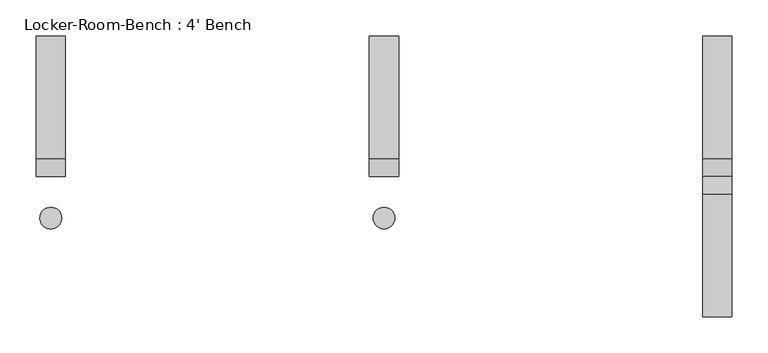
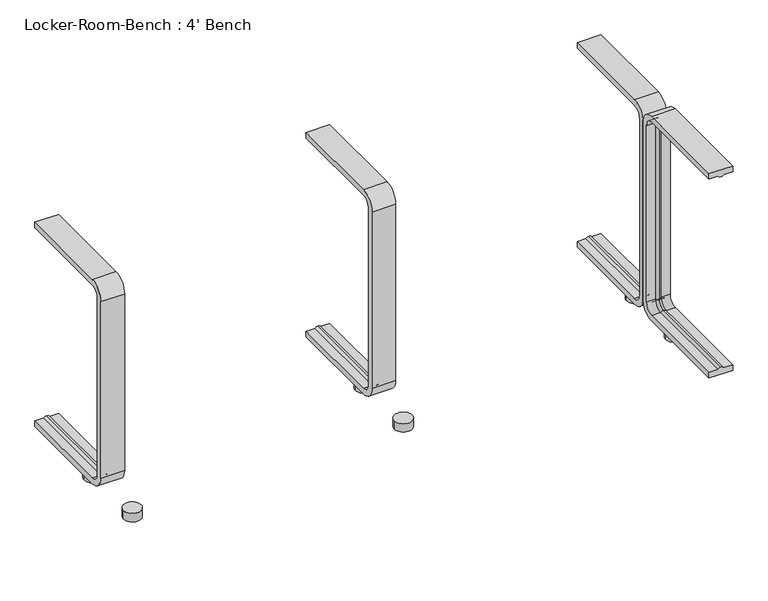
"""IFC4 building model written with IfcOpenShell, lengths in millimetres: furniture geometry, Locker-Room-Bench : 4' Bench."""

from ifc_helpers import new_model, si_unit, point, frame, frame_2d, origin, origin_with_axes, place, context, project, spatial, polyline, circle_curve, ellipse_curve, trimmed, segment, composite_curve, outline, extrude, source, transform, mapped, element, save
from ifc_brep_helpers import plane_surface, cylinder_surface, revolved_surface, advanced_brep


def locker_room_bench_4_bench_b6e1d608(model_context):
    return source(origin(), model_context, "Body", "SolidModel", [
        extrude(outline(composite_curve([segment(trimmed(circle_curve(frame_2d((459.6, -57.5)), 15.0), [point((444.6, -57.5))], [point((474.6, -57.5))], False, "CARTESIAN"), True, "CONTINUOUS"), segment(trimmed(circle_curve(frame_2d((459.6, -57.5)), 15.0), [point((474.6, -57.5))], [point((444.6, -57.5))], False, "CARTESIAN"), True, "CONTINUOUS")], self_intersect=False)), origin_with_axes(), (0.0, 0.0, 1.0), 15.0),
        extrude(outline(composite_curve([segment(trimmed(circle_curve(frame_2d((459.6, 57.5)), 15.0), [point((444.6, 57.5))], [point((474.6, 57.5))], False, "CARTESIAN"), True, "CONTINUOUS"), segment(trimmed(circle_curve(frame_2d((459.6, 57.5)), 15.0), [point((474.6, 57.5))], [point((444.6, 57.5))], False, "CARTESIAN"), True, "CONTINUOUS")], self_intersect=False)), origin_with_axes(), (0.0, 0.0, 1.0), 15.0),
        extrude(outline(composite_curve([segment(trimmed(circle_curve(frame_2d((0.0, -57.5)), 15.0), [point((-15.0, -57.5))], [point((15.0, -57.5))], False, "CARTESIAN"), True, "CONTINUOUS"), segment(trimmed(circle_curve(frame_2d((0.0, -57.5)), 15.0), [point((15.0, -57.5))], [point((-15.0, -57.5))], False, "CARTESIAN"), True, "CONTINUOUS")], self_intersect=False)), origin_with_axes(), (0.0, 0.0, 1.0), 15.0),
        extrude(outline(composite_curve([segment(trimmed(circle_curve(frame_2d((0.0, 57.5)), 15.0), [point((-15.0, 57.5))], [point((15.0, 57.5))], False, "CARTESIAN"), True, "CONTINUOUS"), segment(trimmed(circle_curve(frame_2d((0.0, 57.5)), 15.0), [point((15.0, 57.5))], [point((-15.0, 57.5))], False, "CARTESIAN"), True, "CONTINUOUS")], self_intersect=False)), origin_with_axes(), (0.0, 0.0, 1.0), 15.0),
        extrude(outline(composite_curve([segment(trimmed(circle_curve(frame_2d((-459.6, -57.5)), 15.0), [point((-474.6, -57.5))], [point((-444.6, -57.5))], False, "CARTESIAN"), True, "CONTINUOUS"), segment(trimmed(circle_curve(frame_2d((-459.6, -57.5)), 15.0), [point((-444.6, -57.5))], [point((-474.6, -57.5))], False, "CARTESIAN"), True, "CONTINUOUS")], self_intersect=False)), origin_with_axes(), (0.0, 0.0, 1.0), 15.0),
        extrude(outline(composite_curve([segment(trimmed(circle_curve(frame_2d((-459.6, 57.5)), 15.0), [point((-474.6, 57.5))], [point((-444.6, 57.5))], False, "CARTESIAN"), True, "CONTINUOUS"), segment(trimmed(circle_curve(frame_2d((-459.6, 57.5)), 15.0), [point((-444.6, 57.5))], [point((-474.6, 57.5))], False, "CARTESIAN"), True, "CONTINUOUS")], self_intersect=False)), origin_with_axes(), (0.0, 0.0, 1.0), 15.0),
        advanced_brep(
        [(479.6, 193.6, 381.4), (479.6, 193.6, 371.4), (464.6, 193.6, 371.4), (459.6, 193.6, 369.0684617), (454.6, 193.6, 371.4), (439.6, 193.6, 371.4), (439.6, 193.6, 381.4), (479.6, 25.0, 381.4), (479.6, 0.0, 356.4), (479.6, 0.0, 40.0), (479.6, 25.0, 15.0), (479.6, 193.6, 15.0), (479.6, 193.6, 25.0), (479.6, 25.0, 25.0), (479.6, 10.0, 40.0), (479.6, 10.0, 356.4), (479.6, 25.0, 371.4), (464.6, 25.0, 371.4), (459.6, 25.0, 369.0684617), (454.6, 25.0, 371.4), (439.6, 25.0, 371.4), (439.6, 10.0, 356.4), (439.6, 10.0, 40.0), (439.6, 25.0, 25.0), (439.6, 193.6, 25.0), (439.6, 193.6, 15.0), (439.6, 25.0, 15.0), (439.6, 0.0, 40.0), (439.6, 0.0, 356.4), (439.6, 25.0, 381.4), (464.6, 10.0, 356.4), (459.6, 12.3315383, 356.4), (454.6, 10.0, 356.4), (464.6, 10.0, 40.0), (459.6, 12.3315383, 40.0), (454.6, 10.0, 40.0), (464.6, 25.0, 25.0), (459.6, 25.0, 27.3315383), (454.6, 25.0, 25.0), (454.6, 193.6, 25.0), (459.6, 193.6, 27.3315383), (464.6, 193.6, 25.0)],
        [
            (0, 1),
            (1, 2),
            (2, 3, circle_curve(frame((459.8996409, 193.6, 374.9529162), z_axis=(0.0, 1.0, 0.0), x_axis=(0.0, 0.0, -1.0)), 5.8920785)),
            (3, 4, circle_curve(frame((459.3003591, 193.6, 374.9529162), z_axis=(0.0, 1.0, 0.0), x_axis=(0.0, 0.0, -1.0)), 5.8920785)),
            (4, 5),
            (5, 6),
            (6, 0),
            (0, 7),
            (7, 8, circle_curve(frame((479.6, 25.0, 356.4), z_axis=(1.0, 0.0, 0.0), x_axis=(0.0, 0.0, 1.0)), 25.0)),
            (8, 9),
            (9, 10, circle_curve(frame((479.6, 25.0, 40.0), z_axis=(1.0, 0.0, 0.0), x_axis=(0.0, -1.0, 0.0)), 25.0)),
            (10, 11),
            (11, 12),
            (12, 13),
            (13, 14, circle_curve(frame((479.6, 25.0, 40.0), z_axis=(-1.0, 0.0, 0.0), x_axis=(0.0, -1.0, 0.0)), 15.0)),
            (14, 15),
            (15, 16, circle_curve(frame((479.6, 25.0, 356.4), z_axis=(-1.0, 0.0, 0.0), x_axis=(0.0, 0.0, 1.0)), 15.0)),
            (16, 1),
            (16, 17),
            (17, 2),
            (17, 18, circle_curve(frame((459.8996409, 25.0, 374.9529162), z_axis=(0.0, 1.0, 0.0), x_axis=(0.0, 0.0, -1.0)), 5.8920785)),
            (18, 3),
            (18, 19, circle_curve(frame((459.3003591, 25.0, 374.9529162), z_axis=(0.0, 1.0, 0.0), x_axis=(0.0, 0.0, -1.0)), 5.8920785)),
            (19, 4),
            (19, 20),
            (20, 5),
            (20, 21, circle_curve(frame((439.6, 25.0, 356.4), z_axis=(1.0, 0.0, 0.0), x_axis=(0.0, 0.0, 1.0)), 15.0)),
            (21, 22),
            (22, 23, circle_curve(frame((439.6, 25.0, 40.0), z_axis=(1.0, 0.0, 0.0), x_axis=(0.0, -1.0, 0.0)), 15.0)),
            (23, 24),
            (24, 25),
            (25, 26),
            (26, 27, circle_curve(frame((439.6, 25.0, 40.0), z_axis=(-1.0, 0.0, 0.0), x_axis=(0.0, -1.0, 0.0)), 25.0)),
            (27, 28),
            (28, 29, circle_curve(frame((439.6, 25.0, 356.4), z_axis=(-1.0, 0.0, 0.0), x_axis=(0.0, 0.0, 1.0)), 25.0)),
            (29, 6),
            (29, 7),
            (30, 17, circle_curve(frame((464.6, 25.0, 356.4), z_axis=(-1.0, 0.0, 0.0), x_axis=(0.0, 0.0, 1.0)), 15.0)),
            (15, 30),
            (31, 18, circle_curve(frame((459.6, 25.0, 356.4), z_axis=(-1.0, 0.0, 0.0), x_axis=(0.0, 0.0, 1.0)), 12.6684617)),
            (30, 31, circle_curve(frame((459.8996409, 6.4470838, 356.4), z_axis=(0.0, 0.0, 1.0), x_axis=(0.0, 1.0, 0.0)), 5.8920785)),
            (32, 19, circle_curve(frame((454.6, 25.0, 356.4), z_axis=(-1.0, 0.0, 0.0), x_axis=(0.0, 0.0, 1.0)), 15.0)),
            (31, 32, circle_curve(frame((459.3003591, 6.4470838, 356.4), z_axis=(0.0, 0.0, 1.0), x_axis=(0.0, 1.0, 0.0)), 5.8920785)),
            (32, 21),
            (28, 8),
            (14, 33),
            (33, 30),
            (33, 34, circle_curve(frame((459.8996409, 6.4470838, 40.0), z_axis=(0.0, 0.0, 1.0), x_axis=(0.0, 1.0, 0.0)), 5.8920785)),
            (34, 31),
            (34, 35, circle_curve(frame((459.3003591, 6.4470838, 40.0), z_axis=(0.0, 0.0, 1.0), x_axis=(0.0, 1.0, 0.0)), 5.8920785)),
            (35, 32),
            (35, 22),
            (27, 9),
            (36, 33, circle_curve(frame((464.6, 25.0, 40.0), z_axis=(-1.0, 0.0, 0.0), x_axis=(0.0, -1.0, 0.0)), 15.0)),
            (13, 36),
            (37, 34, circle_curve(frame((459.6, 25.0, 40.0), z_axis=(-1.0, 0.0, 0.0), x_axis=(0.0, -1.0, 0.0)), 12.6684617)),
            (36, 37, circle_curve(frame((459.8996409, 25.0, 21.4470838), z_axis=(0.0, -1.0, 0.0), x_axis=(0.0, 0.0, 1.0)), 5.8920785)),
            (38, 35, circle_curve(frame((454.6, 25.0, 40.0), z_axis=(-1.0, 0.0, 0.0), x_axis=(0.0, -1.0, 0.0)), 15.0)),
            (37, 38, circle_curve(frame((459.3003591, 25.0, 21.4470838), z_axis=(0.0, -1.0, 0.0), x_axis=(0.0, 0.0, 1.0)), 5.8920785)),
            (38, 23),
            (26, 10),
            (11, 25),
            (24, 39),
            (39, 40, circle_curve(frame((459.3003591, 193.6, 21.4470838), z_axis=(0.0, 1.0, 0.0), x_axis=(0.0, 0.0, 1.0)), 5.8920785)),
            (40, 41, circle_curve(frame((459.8996409, 193.6, 21.4470838), z_axis=(0.0, 1.0, 0.0), x_axis=(0.0, 0.0, 1.0)), 5.8920785)),
            (41, 12),
            (41, 36),
            (40, 37),
            (39, 38),
        ],
        [
            plane_surface(frame((459.6, 193.6, 381.4), z_axis=(0.0, 1.0, 0.0), x_axis=(1.0, 0.0, 0.0))),
            plane_surface(frame((479.6, 193.6, 381.4), z_axis=(1.0, 0.0, 0.0), x_axis=(0.0, -1.0, 0.0))),
            plane_surface(frame((479.6, 193.6, 371.4), z_axis=(0.0, 0.0, -1.0), x_axis=(0.0, -1.0, 0.0))),
            cylinder_surface(frame((459.8996409, 193.6, 374.9529162), z_axis=(0.0, 1.0, 0.0), x_axis=(0.0, 0.0, -1.0)), 5.8920785),
            cylinder_surface(frame((459.3003591, 193.6, 374.9529162), z_axis=(0.0, 1.0, 0.0), x_axis=(0.0, 0.0, -1.0)), 5.8920785),
            plane_surface(frame((454.6, 193.6, 371.4), z_axis=(0.0, 0.0, -1.0), x_axis=(0.0, -1.0, 0.0))),
            plane_surface(frame((439.6, 193.6, 371.4), z_axis=(-1.0, 0.0, 0.0), x_axis=(0.0, -1.0, 0.0))),
            plane_surface(frame((439.6, 193.6, 381.4), z_axis=(0.0, 0.0, 1.0), x_axis=(0.0, -1.0, 0.0))),
            revolved_surface(polyline([(479.6, 25.0, 371.4), (464.6, 25.0, 371.4)]), (459.6, 25.0, 356.4), (1.0, 0.0, 0.0)),
            revolved_surface(trimmed(ellipse_curve(frame((459.8996409, 25.0, 374.9529162), z_axis=(0.0, 1.0, 0.0), x_axis=(0.0, 0.0, -1.0)), 5.8920785, 5.8920785), [point((464.6, 25.0, 371.4))], [point((459.6, 25.0, 369.0684617))], True, "CARTESIAN"), (459.6, 25.0, 356.4), (1.0, 0.0, 0.0)),
            revolved_surface(trimmed(ellipse_curve(frame((459.3003591, 25.0, 374.9529162), z_axis=(0.0, 1.0, 0.0), x_axis=(0.0, 0.0, -1.0)), 5.8920785, 5.8920785), [point((459.6, 25.0, 369.0684617))], [point((454.6, 25.0, 371.4))], True, "CARTESIAN"), (459.6, 25.0, 356.4), (1.0, 0.0, 0.0)),
            revolved_surface(polyline([(454.6, 25.0, 371.4), (439.6, 25.0, 371.4)]), (459.6, 25.0, 356.4), (1.0, 0.0, 0.0)),
            cylinder_surface(frame((459.6, 25.0, 356.4), z_axis=(1.0, 0.0, 0.0), x_axis=(0.0, 0.0, 1.0)), 25.0),
            plane_surface(frame((479.6, 10.0, 356.4), z_axis=(0.0, 1.0, 0.0), x_axis=(0.0, 0.0, -1.0))),
            cylinder_surface(frame((459.8996409, 6.4470838, 356.4), z_axis=(0.0, 0.0, 1.0), x_axis=(0.0, 1.0, 0.0)), 5.8920785),
            cylinder_surface(frame((459.3003591, 6.4470838, 356.4), z_axis=(0.0, 0.0, 1.0), x_axis=(0.0, 1.0, 0.0)), 5.8920785),
            plane_surface(frame((454.6, 10.0, 356.4), z_axis=(0.0, 1.0, 0.0), x_axis=(0.0, 0.0, -1.0))),
            plane_surface(frame((439.6, 0.0, 356.4), z_axis=(0.0, -1.0, 0.0), x_axis=(0.0, 0.0, -1.0))),
            revolved_surface(polyline([(479.6, 10.0, 40.0), (464.6, 10.0, 40.0)]), (459.6, 25.0, 40.0), (1.0, 0.0, 0.0)),
            revolved_surface(trimmed(ellipse_curve(frame((459.8996409, 6.4470838, 40.0), z_axis=(0.0, 0.0, 1.0), x_axis=(0.0, 1.0, 0.0)), 5.8920785, 5.8920785), [point((464.6, 10.0, 40.0))], [point((459.6, 12.3315383, 40.0))], True, "CARTESIAN"), (459.6, 25.0, 40.0), (1.0, 0.0, 0.0)),
            revolved_surface(trimmed(ellipse_curve(frame((459.3003591, 6.4470838, 40.0), z_axis=(0.0, 0.0, 1.0), x_axis=(0.0, 1.0, 0.0)), 5.8920785, 5.8920785), [point((459.6, 12.3315383, 40.0))], [point((454.6, 10.0, 40.0))], True, "CARTESIAN"), (459.6, 25.0, 40.0), (1.0, 0.0, 0.0)),
            revolved_surface(polyline([(454.6, 10.0, 40.0), (439.6, 10.0, 40.0)]), (459.6, 25.0, 40.0), (1.0, 0.0, 0.0)),
            cylinder_surface(frame((459.6, 25.0, 40.0), z_axis=(1.0, 0.0, 0.0), x_axis=(0.0, -1.0, 0.0)), 25.0),
            plane_surface(frame((459.6, 193.6, 15.0), z_axis=(0.0, 1.0, 0.0), x_axis=(1.0, 0.0, 0.0))),
            plane_surface(frame((479.6, 25.0, 25.0), z_axis=(0.0, 0.0, 1.0), x_axis=(0.0, 1.0, 0.0))),
            cylinder_surface(frame((459.8996409, 25.0, 21.4470838), z_axis=(0.0, -1.0, 0.0), x_axis=(0.0, 0.0, 1.0)), 5.8920785),
            cylinder_surface(frame((459.3003591, 25.0, 21.4470838), z_axis=(0.0, -1.0, 0.0), x_axis=(0.0, 0.0, 1.0)), 5.8920785),
            plane_surface(frame((454.6, 25.0, 25.0), z_axis=(0.0, 0.0, 1.0), x_axis=(0.0, 1.0, 0.0))),
            plane_surface(frame((439.6, 25.0, 15.0), z_axis=(0.0, 0.0, -1.0), x_axis=(0.0, 1.0, 0.0))),
        ],
        [
            (0, [[1, 2, 3, 4, 5, 6, 7]]),
            (1, [[-1, 8, 9, 10, 11, 12, 13, 14, 15, 16, 17, 18]]),
            (2, [[-2, -18, 19, 20]]),
            (3, [[-3, -20, 21, 22]]),
            (4, [[-4, -22, 23, 24]]),
            (5, [[-5, -24, 25, 26]]),
            (6, [[-6, -26, 27, 28, 29, 30, 31, 32, 33, 34, 35, 36]]),
            (7, [[-7, -36, 37, -8]]),
            (8, [[38, -19, -17, 39]]),
            (9, [[40, -21, -38, 41]]),
            (10, [[42, -23, -40, 43]]),
            (11, [[-27, -25, -42, 44]]),
            (12, [[-9, -37, -35, 45]]),
            (13, [[-39, -16, 46, 47]]),
            (14, [[-41, -47, 48, 49]]),
            (15, [[-43, -49, 50, 51]]),
            (16, [[-44, -51, 52, -28]]),
            (17, [[-45, -34, 53, -10]]),
            (18, [[54, -46, -15, 55]]),
            (19, [[56, -48, -54, 57]]),
            (20, [[58, -50, -56, 59]]),
            (21, [[-29, -52, -58, 60]]),
            (22, [[-11, -53, -33, 61]]),
            (23, [[62, -31, 63, 64, 65, 66, -13]]),
            (24, [[-55, -14, -66, 67]]),
            (25, [[-57, -67, -65, 68]]),
            (26, [[-59, -68, -64, 69]]),
            (27, [[-60, -69, -63, -30]]),
            (28, [[-61, -32, -62, -12]]),
        ],
    ),
        advanced_brep(
        [(20.0, 193.6, 381.4), (20.0, 193.6, 371.4), (5.0, 193.6, 371.4), (0.0, 193.6, 369.0684617), (-5.0, 193.6, 371.4), (-20.0, 193.6, 371.4), (-20.0, 193.6, 381.4), (20.0, 25.0, 381.4), (20.0, 0.0, 356.4), (20.0, 0.0, 40.0), (20.0, 25.0, 15.0), (20.0, 193.6, 15.0), (20.0, 193.6, 25.0), (20.0, 25.0, 25.0), (20.0, 10.0, 40.0), (20.0, 10.0, 356.4), (20.0, 25.0, 371.4), (5.0, 25.0, 371.4), (0.0, 25.0, 369.0684617), (-5.0, 25.0, 371.4), (-20.0, 25.0, 371.4), (-20.0, 10.0, 356.4), (-20.0, 10.0, 40.0), (-20.0, 25.0, 25.0), (-20.0, 193.6, 25.0), (-20.0, 193.6, 15.0), (-20.0, 25.0, 15.0), (-20.0, 0.0, 40.0), (-20.0, 0.0, 356.4), (-20.0, 25.0, 381.4), (5.0, 10.0, 356.4), (0.0, 12.3315383, 356.4), (-5.0, 10.0, 356.4), (5.0, 10.0, 40.0), (0.0, 12.3315383, 40.0), (-5.0, 10.0, 40.0), (5.0, 25.0, 25.0), (0.0, 25.0, 27.3315383), (-5.0, 25.0, 25.0), (-5.0, 193.6, 25.0), (0.0, 193.6, 27.3315383), (5.0, 193.6, 25.0)],
        [
            (0, 1),
            (1, 2),
            (2, 3, circle_curve(frame((0.2996409, 193.6, 374.9529162), z_axis=(0.0, 1.0, 0.0), x_axis=(0.0, 0.0, -1.0)), 5.8920785)),
            (3, 4, circle_curve(frame((-0.2996409, 193.6, 374.9529162), z_axis=(0.0, 1.0, 0.0), x_axis=(0.0, 0.0, -1.0)), 5.8920785)),
            (4, 5),
            (5, 6),
            (6, 0),
            (0, 7),
            (7, 8, circle_curve(frame((20.0, 25.0, 356.4), z_axis=(1.0, 0.0, 0.0), x_axis=(0.0, 0.0, 1.0)), 25.0)),
            (8, 9),
            (9, 10, circle_curve(frame((20.0, 25.0, 40.0), z_axis=(1.0, 0.0, 0.0), x_axis=(0.0, -1.0, 0.0)), 25.0)),
            (10, 11),
            (11, 12),
            (12, 13),
            (13, 14, circle_curve(frame((20.0, 25.0, 40.0), z_axis=(-1.0, 0.0, 0.0), x_axis=(0.0, -1.0, 0.0)), 15.0)),
            (14, 15),
            (15, 16, circle_curve(frame((20.0, 25.0, 356.4), z_axis=(-1.0, 0.0, 0.0), x_axis=(0.0, 0.0, 1.0)), 15.0)),
            (16, 1),
            (16, 17),
            (17, 2),
            (17, 18, circle_curve(frame((0.2996409, 25.0, 374.9529162), z_axis=(0.0, 1.0, 0.0), x_axis=(0.0, 0.0, -1.0)), 5.8920785)),
            (18, 3),
            (18, 19, circle_curve(frame((-0.2996409, 25.0, 374.9529162), z_axis=(0.0, 1.0, 0.0), x_axis=(0.0, 0.0, -1.0)), 5.8920785)),
            (19, 4),
            (19, 20),
            (20, 5),
            (20, 21, circle_curve(frame((-20.0, 25.0, 356.4), z_axis=(1.0, 0.0, 0.0), x_axis=(0.0, 0.0, 1.0)), 15.0)),
            (21, 22),
            (22, 23, circle_curve(frame((-20.0, 25.0, 40.0), z_axis=(1.0, 0.0, 0.0), x_axis=(0.0, -1.0, 0.0)), 15.0)),
            (23, 24),
            (24, 25),
            (25, 26),
            (26, 27, circle_curve(frame((-20.0, 25.0, 40.0), z_axis=(-1.0, 0.0, 0.0), x_axis=(0.0, -1.0, 0.0)), 25.0)),
            (27, 28),
            (28, 29, circle_curve(frame((-20.0, 25.0, 356.4), z_axis=(-1.0, 0.0, 0.0), x_axis=(0.0, 0.0, 1.0)), 25.0)),
            (29, 6),
            (29, 7),
            (30, 17, circle_curve(frame((5.0, 25.0, 356.4), z_axis=(-1.0, 0.0, 0.0), x_axis=(0.0, 0.0, 1.0)), 15.0)),
            (15, 30),
            (31, 18, circle_curve(frame((0.0, 25.0, 356.4), z_axis=(-1.0, 0.0, 0.0), x_axis=(0.0, 0.0, 1.0)), 12.6684617)),
            (30, 31, circle_curve(frame((0.2996409, 6.4470838, 356.4), z_axis=(0.0, 0.0, 1.0), x_axis=(0.0, 1.0, 0.0)), 5.8920785)),
            (32, 19, circle_curve(frame((-5.0, 25.0, 356.4), z_axis=(-1.0, 0.0, 0.0), x_axis=(0.0, 0.0, 1.0)), 15.0)),
            (31, 32, circle_curve(frame((-0.2996409, 6.4470838, 356.4), z_axis=(0.0, 0.0, 1.0), x_axis=(0.0, 1.0, 0.0)), 5.8920785)),
            (32, 21),
            (28, 8),
            (14, 33),
            (33, 30),
            (33, 34, circle_curve(frame((0.2996409, 6.4470838, 40.0), z_axis=(0.0, 0.0, 1.0), x_axis=(0.0, 1.0, 0.0)), 5.8920785)),
            (34, 31),
            (34, 35, circle_curve(frame((-0.2996409, 6.4470838, 40.0), z_axis=(0.0, 0.0, 1.0), x_axis=(0.0, 1.0, 0.0)), 5.8920785)),
            (35, 32),
            (35, 22),
            (27, 9),
            (36, 33, circle_curve(frame((5.0, 25.0, 40.0), z_axis=(-1.0, 0.0, 0.0), x_axis=(0.0, -1.0, 0.0)), 15.0)),
            (13, 36),
            (37, 34, circle_curve(frame((0.0, 25.0, 40.0), z_axis=(-1.0, 0.0, 0.0), x_axis=(0.0, -1.0, 0.0)), 12.6684617)),
            (36, 37, circle_curve(frame((0.2996409, 25.0, 21.4470838), z_axis=(0.0, -1.0, 0.0), x_axis=(0.0, 0.0, 1.0)), 5.8920785)),
            (38, 35, circle_curve(frame((-5.0, 25.0, 40.0), z_axis=(-1.0, 0.0, 0.0), x_axis=(0.0, -1.0, 0.0)), 15.0)),
            (37, 38, circle_curve(frame((-0.2996409, 25.0, 21.4470838), z_axis=(0.0, -1.0, 0.0), x_axis=(0.0, 0.0, 1.0)), 5.8920785)),
            (38, 23),
            (26, 10),
            (11, 25),
            (24, 39),
            (39, 40, circle_curve(frame((-0.2996409, 193.6, 21.4470838), z_axis=(0.0, 1.0, 0.0), x_axis=(0.0, 0.0, 1.0)), 5.8920785)),
            (40, 41, circle_curve(frame((0.2996409, 193.6, 21.4470838), z_axis=(0.0, 1.0, 0.0), x_axis=(0.0, 0.0, 1.0)), 5.8920785)),
            (41, 12),
            (41, 36),
            (40, 37),
            (39, 38),
        ],
        [
            plane_surface(frame((0.0, 193.6, 381.4), z_axis=(0.0, 1.0, 0.0), x_axis=(1.0, 0.0, 0.0))),
            plane_surface(frame((20.0, 193.6, 381.4), z_axis=(1.0, 0.0, 0.0), x_axis=(0.0, -1.0, 0.0))),
            plane_surface(frame((20.0, 193.6, 371.4), z_axis=(0.0, 0.0, -1.0), x_axis=(0.0, -1.0, 0.0))),
            cylinder_surface(frame((0.2996409, 193.6, 374.9529162), z_axis=(0.0, 1.0, 0.0), x_axis=(0.0, 0.0, -1.0)), 5.8920785),
            cylinder_surface(frame((-0.2996409, 193.6, 374.9529162), z_axis=(0.0, 1.0, 0.0), x_axis=(0.0, 0.0, -1.0)), 5.8920785),
            plane_surface(frame((-5.0, 193.6, 371.4), z_axis=(0.0, 0.0, -1.0), x_axis=(0.0, -1.0, 0.0))),
            plane_surface(frame((-20.0, 193.6, 371.4), z_axis=(-1.0, 0.0, 0.0), x_axis=(0.0, -1.0, 0.0))),
            plane_surface(frame((-20.0, 193.6, 381.4), z_axis=(0.0, 0.0, 1.0), x_axis=(0.0, -1.0, 0.0))),
            revolved_surface(polyline([(20.0, 25.0, 371.4), (5.0, 25.0, 371.4)]), (0.0, 25.0, 356.4), (1.0, 0.0, 0.0)),
            revolved_surface(trimmed(ellipse_curve(frame((0.2996409, 25.0, 374.9529162), z_axis=(0.0, 1.0, 0.0), x_axis=(0.0, 0.0, -1.0)), 5.8920785, 5.8920785), [point((5.0, 25.0, 371.4))], [point((0.0, 25.0, 369.0684617))], True, "CARTESIAN"), (0.0, 25.0, 356.4), (1.0, 0.0, 0.0)),
            revolved_surface(trimmed(ellipse_curve(frame((-0.2996409, 25.0, 374.9529162), z_axis=(0.0, 1.0, 0.0), x_axis=(0.0, 0.0, -1.0)), 5.8920785, 5.8920785), [point((0.0, 25.0, 369.0684617))], [point((-5.0, 25.0, 371.4))], True, "CARTESIAN"), (0.0, 25.0, 356.4), (1.0, 0.0, 0.0)),
            revolved_surface(polyline([(-5.0, 25.0, 371.4), (-20.0, 25.0, 371.4)]), (0.0, 25.0, 356.4), (1.0, 0.0, 0.0)),
            cylinder_surface(frame((0.0, 25.0, 356.4), z_axis=(1.0, 0.0, 0.0), x_axis=(0.0, 0.0, 1.0)), 25.0),
            plane_surface(frame((20.0, 10.0, 356.4), z_axis=(0.0, 1.0, 0.0), x_axis=(0.0, 0.0, -1.0))),
            cylinder_surface(frame((0.2996409, 6.4470838, 356.4), z_axis=(0.0, 0.0, 1.0), x_axis=(0.0, 1.0, 0.0)), 5.8920785),
            cylinder_surface(frame((-0.2996409, 6.4470838, 356.4), z_axis=(0.0, 0.0, 1.0), x_axis=(0.0, 1.0, 0.0)), 5.8920785),
            plane_surface(frame((-5.0, 10.0, 356.4), z_axis=(0.0, 1.0, 0.0), x_axis=(0.0, 0.0, -1.0))),
            plane_surface(frame((-20.0, 0.0, 356.4), z_axis=(0.0, -1.0, 0.0), x_axis=(0.0, 0.0, -1.0))),
            revolved_surface(polyline([(20.0, 10.0, 40.0), (5.0, 10.0, 40.0)]), (0.0, 25.0, 40.0), (1.0, 0.0, 0.0)),
            revolved_surface(trimmed(ellipse_curve(frame((0.2996409, 6.4470838, 40.0), z_axis=(0.0, 0.0, 1.0), x_axis=(0.0, 1.0, 0.0)), 5.8920785, 5.8920785), [point((5.0, 10.0, 40.0))], [point((0.0, 12.3315383, 40.0))], True, "CARTESIAN"), (0.0, 25.0, 40.0), (1.0, 0.0, 0.0)),
            revolved_surface(trimmed(ellipse_curve(frame((-0.2996409, 6.4470838, 40.0), z_axis=(0.0, 0.0, 1.0), x_axis=(0.0, 1.0, 0.0)), 5.8920785, 5.8920785), [point((0.0, 12.3315383, 40.0))], [point((-5.0, 10.0, 40.0))], True, "CARTESIAN"), (0.0, 25.0, 40.0), (1.0, 0.0, 0.0)),
            revolved_surface(polyline([(-5.0, 10.0, 40.0), (-20.0, 10.0, 40.0)]), (0.0, 25.0, 40.0), (1.0, 0.0, 0.0)),
            cylinder_surface(frame((0.0, 25.0, 40.0), z_axis=(1.0, 0.0, 0.0), x_axis=(0.0, -1.0, 0.0)), 25.0),
            plane_surface(frame((0.0, 193.6, 15.0), z_axis=(0.0, 1.0, 0.0), x_axis=(1.0, 0.0, 0.0))),
            plane_surface(frame((20.0, 25.0, 25.0), z_axis=(0.0, 0.0, 1.0), x_axis=(0.0, 1.0, 0.0))),
            cylinder_surface(frame((0.2996409, 25.0, 21.4470838), z_axis=(0.0, -1.0, 0.0), x_axis=(0.0, 0.0, 1.0)), 5.8920785),
            cylinder_surface(frame((-0.2996409, 25.0, 21.4470838), z_axis=(0.0, -1.0, 0.0), x_axis=(0.0, 0.0, 1.0)), 5.8920785),
            plane_surface(frame((-5.0, 25.0, 25.0), z_axis=(0.0, 0.0, 1.0), x_axis=(0.0, 1.0, 0.0))),
            plane_surface(frame((-20.0, 25.0, 15.0), z_axis=(0.0, 0.0, -1.0), x_axis=(0.0, 1.0, 0.0))),
        ],
        [
            (0, [[1, 2, 3, 4, 5, 6, 7]]),
            (1, [[-1, 8, 9, 10, 11, 12, 13, 14, 15, 16, 17, 18]]),
            (2, [[-2, -18, 19, 20]]),
            (3, [[-3, -20, 21, 22]]),
            (4, [[-4, -22, 23, 24]]),
            (5, [[-5, -24, 25, 26]]),
            (6, [[-6, -26, 27, 28, 29, 30, 31, 32, 33, 34, 35, 36]]),
            (7, [[-7, -36, 37, -8]]),
            (8, [[38, -19, -17, 39]]),
            (9, [[40, -21, -38, 41]]),
            (10, [[42, -23, -40, 43]]),
            (11, [[-27, -25, -42, 44]]),
            (12, [[-9, -37, -35, 45]]),
            (13, [[-39, -16, 46, 47]]),
            (14, [[-41, -47, 48, 49]]),
            (15, [[-43, -49, 50, 51]]),
            (16, [[-44, -51, 52, -28]]),
            (17, [[-45, -34, 53, -10]]),
            (18, [[54, -46, -15, 55]]),
            (19, [[56, -48, -54, 57]]),
            (20, [[58, -50, -56, 59]]),
            (21, [[-29, -52, -58, 60]]),
            (22, [[-11, -53, -33, 61]]),
            (23, [[62, -31, 63, 64, 65, 66, -13]]),
            (24, [[-55, -14, -66, 67]]),
            (25, [[-57, -67, -65, 68]]),
            (26, [[-59, -68, -64, 69]]),
            (27, [[-60, -69, -63, -30]]),
            (28, [[-61, -32, -62, -12]]),
        ],
    ),
        advanced_brep(
        [(-439.6, 193.6, 381.4), (-439.6, 193.6, 371.4), (-454.6, 193.6, 371.4), (-459.6, 193.6, 369.0684617), (-464.6, 193.6, 371.4), (-479.6, 193.6, 371.4), (-479.6, 193.6, 381.4), (-439.6, 25.0, 381.4), (-439.6, 0.0, 356.4), (-439.6, 0.0, 40.0), (-439.6, 25.0, 15.0), (-439.6, 193.6, 15.0), (-439.6, 193.6, 25.0), (-439.6, 25.0, 25.0), (-439.6, 10.0, 40.0), (-439.6, 10.0, 356.4), (-439.6, 25.0, 371.4), (-454.6, 25.0, 371.4), (-459.6, 25.0, 369.0684617), (-464.6, 25.0, 371.4), (-479.6, 25.0, 371.4), (-479.6, 10.0, 356.4), (-479.6, 10.0, 40.0), (-479.6, 25.0, 25.0), (-479.6, 193.6, 25.0), (-479.6, 193.6, 15.0), (-479.6, 25.0, 15.0), (-479.6, 0.0, 40.0), (-479.6, 0.0, 356.4), (-479.6, 25.0, 381.4), (-454.6, 10.0, 356.4), (-459.6, 12.3315383, 356.4), (-464.6, 10.0, 356.4), (-454.6, 10.0, 40.0), (-459.6, 12.3315383, 40.0), (-464.6, 10.0, 40.0), (-454.6, 25.0, 25.0), (-459.6, 25.0, 27.3315383), (-464.6, 25.0, 25.0), (-464.6, 193.6, 25.0), (-459.6, 193.6, 27.3315383), (-454.6, 193.6, 25.0)],
        [
            (0, 1),
            (1, 2),
            (2, 3, circle_curve(frame((-459.3003591, 193.6, 374.9529162), z_axis=(0.0, 1.0, 0.0), x_axis=(0.0, 0.0, -1.0)), 5.8920785)),
            (3, 4, circle_curve(frame((-459.8996409, 193.6, 374.9529162), z_axis=(0.0, 1.0, 0.0), x_axis=(0.0, 0.0, -1.0)), 5.8920785)),
            (4, 5),
            (5, 6),
            (6, 0),
            (0, 7),
            (7, 8, circle_curve(frame((-439.6, 25.0, 356.4), z_axis=(1.0, 0.0, 0.0), x_axis=(0.0, 0.0, 1.0)), 25.0)),
            (8, 9),
            (9, 10, circle_curve(frame((-439.6, 25.0, 40.0), z_axis=(1.0, 0.0, 0.0), x_axis=(0.0, -1.0, 0.0)), 25.0)),
            (10, 11),
            (11, 12),
            (12, 13),
            (13, 14, circle_curve(frame((-439.6, 25.0, 40.0), z_axis=(-1.0, 0.0, 0.0), x_axis=(0.0, -1.0, 0.0)), 15.0)),
            (14, 15),
            (15, 16, circle_curve(frame((-439.6, 25.0, 356.4), z_axis=(-1.0, 0.0, 0.0), x_axis=(0.0, 0.0, 1.0)), 15.0)),
            (16, 1),
            (16, 17),
            (17, 2),
            (17, 18, circle_curve(frame((-459.3003591, 25.0, 374.9529162), z_axis=(0.0, 1.0, 0.0), x_axis=(0.0, 0.0, -1.0)), 5.8920785)),
            (18, 3),
            (18, 19, circle_curve(frame((-459.8996409, 25.0, 374.9529162), z_axis=(0.0, 1.0, 0.0), x_axis=(0.0, 0.0, -1.0)), 5.8920785)),
            (19, 4),
            (19, 20),
            (20, 5),
            (20, 21, circle_curve(frame((-479.6, 25.0, 356.4), z_axis=(1.0, 0.0, 0.0), x_axis=(0.0, 0.0, 1.0)), 15.0)),
            (21, 22),
            (22, 23, circle_curve(frame((-479.6, 25.0, 40.0), z_axis=(1.0, 0.0, 0.0), x_axis=(0.0, -1.0, 0.0)), 15.0)),
            (23, 24),
            (24, 25),
            (25, 26),
            (26, 27, circle_curve(frame((-479.6, 25.0, 40.0), z_axis=(-1.0, 0.0, 0.0), x_axis=(0.0, -1.0, 0.0)), 25.0)),
            (27, 28),
            (28, 29, circle_curve(frame((-479.6, 25.0, 356.4), z_axis=(-1.0, 0.0, 0.0), x_axis=(0.0, 0.0, 1.0)), 25.0)),
            (29, 6),
            (29, 7),
            (30, 17, circle_curve(frame((-454.6, 25.0, 356.4), z_axis=(-1.0, 0.0, 0.0), x_axis=(0.0, 0.0, 1.0)), 15.0)),
            (15, 30),
            (31, 18, circle_curve(frame((-459.6, 25.0, 356.4), z_axis=(-1.0, 0.0, 0.0), x_axis=(0.0, 0.0, 1.0)), 12.6684617)),
            (30, 31, circle_curve(frame((-459.3003591, 6.4470838, 356.4), z_axis=(0.0, 0.0, 1.0), x_axis=(0.0, 1.0, 0.0)), 5.8920785)),
            (32, 19, circle_curve(frame((-464.6, 25.0, 356.4), z_axis=(-1.0, 0.0, 0.0), x_axis=(0.0, 0.0, 1.0)), 15.0)),
            (31, 32, circle_curve(frame((-459.8996409, 6.4470838, 356.4), z_axis=(0.0, 0.0, 1.0), x_axis=(0.0, 1.0, 0.0)), 5.8920785)),
            (32, 21),
            (28, 8),
            (14, 33),
            (33, 30),
            (33, 34, circle_curve(frame((-459.3003591, 6.4470838, 40.0), z_axis=(0.0, 0.0, 1.0), x_axis=(0.0, 1.0, 0.0)), 5.8920785)),
            (34, 31),
            (34, 35, circle_curve(frame((-459.8996409, 6.4470838, 40.0), z_axis=(0.0, 0.0, 1.0), x_axis=(0.0, 1.0, 0.0)), 5.8920785)),
            (35, 32),
            (35, 22),
            (27, 9),
            (36, 33, circle_curve(frame((-454.6, 25.0, 40.0), z_axis=(-1.0, 0.0, 0.0), x_axis=(0.0, -1.0, 0.0)), 15.0)),
            (13, 36),
            (37, 34, circle_curve(frame((-459.6, 25.0, 40.0), z_axis=(-1.0, 0.0, 0.0), x_axis=(0.0, -1.0, 0.0)), 12.6684617)),
            (36, 37, circle_curve(frame((-459.3003591, 25.0, 21.4470838), z_axis=(0.0, -1.0, 0.0), x_axis=(0.0, 0.0, 1.0)), 5.8920785)),
            (38, 35, circle_curve(frame((-464.6, 25.0, 40.0), z_axis=(-1.0, 0.0, 0.0), x_axis=(0.0, -1.0, 0.0)), 15.0)),
            (37, 38, circle_curve(frame((-459.8996409, 25.0, 21.4470838), z_axis=(0.0, -1.0, 0.0), x_axis=(0.0, 0.0, 1.0)), 5.8920785)),
            (38, 23),
            (26, 10),
            (11, 25),
            (24, 39),
            (39, 40, circle_curve(frame((-459.8996409, 193.6, 21.4470838), z_axis=(0.0, 1.0, 0.0), x_axis=(0.0, 0.0, 1.0)), 5.8920785)),
            (40, 41, circle_curve(frame((-459.3003591, 193.6, 21.4470838), z_axis=(0.0, 1.0, 0.0), x_axis=(0.0, 0.0, 1.0)), 5.8920785)),
            (41, 12),
            (41, 36),
            (40, 37),
            (39, 38),
        ],
        [
            plane_surface(frame((-459.6, 193.6, 381.4), z_axis=(0.0, 1.0, 0.0), x_axis=(1.0, 0.0, 0.0))),
            plane_surface(frame((-439.6, 193.6, 381.4), z_axis=(1.0, 0.0, 0.0), x_axis=(0.0, -1.0, 0.0))),
            plane_surface(frame((-439.6, 193.6, 371.4), z_axis=(0.0, 0.0, -1.0), x_axis=(0.0, -1.0, 0.0))),
            cylinder_surface(frame((-459.3003591, 193.6, 374.9529162), z_axis=(0.0, 1.0, 0.0), x_axis=(0.0, 0.0, -1.0)), 5.8920785),
            cylinder_surface(frame((-459.8996409, 193.6, 374.9529162), z_axis=(0.0, 1.0, 0.0), x_axis=(0.0, 0.0, -1.0)), 5.8920785),
            plane_surface(frame((-464.6, 193.6, 371.4), z_axis=(0.0, 0.0, -1.0), x_axis=(0.0, -1.0, 0.0))),
            plane_surface(frame((-479.6, 193.6, 371.4), z_axis=(-1.0, 0.0, 0.0), x_axis=(0.0, -1.0, 0.0))),
            plane_surface(frame((-479.6, 193.6, 381.4), z_axis=(0.0, 0.0, 1.0), x_axis=(0.0, -1.0, 0.0))),
            revolved_surface(polyline([(-439.6, 25.0, 371.4), (-454.6, 25.0, 371.4)]), (-459.6, 25.0, 356.4), (1.0, 0.0, 0.0)),
            revolved_surface(trimmed(ellipse_curve(frame((-459.3003591, 25.0, 374.9529162), z_axis=(0.0, 1.0, 0.0), x_axis=(0.0, 0.0, -1.0)), 5.8920785, 5.8920785), [point((-454.6, 25.0, 371.4))], [point((-459.6, 25.0, 369.0684617))], True, "CARTESIAN"), (-459.6, 25.0, 356.4), (1.0, 0.0, 0.0)),
            revolved_surface(trimmed(ellipse_curve(frame((-459.8996409, 25.0, 374.9529162), z_axis=(0.0, 1.0, 0.0), x_axis=(0.0, 0.0, -1.0)), 5.8920785, 5.8920785), [point((-459.6, 25.0, 369.0684617))], [point((-464.6, 25.0, 371.4))], True, "CARTESIAN"), (-459.6, 25.0, 356.4), (1.0, 0.0, 0.0)),
            revolved_surface(polyline([(-464.6, 25.0, 371.4), (-479.6, 25.0, 371.4)]), (-459.6, 25.0, 356.4), (1.0, 0.0, 0.0)),
            cylinder_surface(frame((-459.6, 25.0, 356.4), z_axis=(1.0, 0.0, 0.0), x_axis=(0.0, 0.0, 1.0)), 25.0),
            plane_surface(frame((-439.6, 10.0, 356.4), z_axis=(0.0, 1.0, 0.0), x_axis=(0.0, 0.0, -1.0))),
            cylinder_surface(frame((-459.3003591, 6.4470838, 356.4), z_axis=(0.0, 0.0, 1.0), x_axis=(0.0, 1.0, 0.0)), 5.8920785),
            cylinder_surface(frame((-459.8996409, 6.4470838, 356.4), z_axis=(0.0, 0.0, 1.0), x_axis=(0.0, 1.0, 0.0)), 5.8920785),
            plane_surface(frame((-464.6, 10.0, 356.4), z_axis=(0.0, 1.0, 0.0), x_axis=(0.0, 0.0, -1.0))),
            plane_surface(frame((-479.6, 0.0, 356.4), z_axis=(0.0, -1.0, 0.0), x_axis=(0.0, 0.0, -1.0))),
            revolved_surface(polyline([(-439.6, 10.0, 40.0), (-454.6, 10.0, 40.0)]), (-459.6, 25.0, 40.0), (1.0, 0.0, 0.0)),
            revolved_surface(trimmed(ellipse_curve(frame((-459.3003591, 6.4470838, 40.0), z_axis=(0.0, 0.0, 1.0), x_axis=(0.0, 1.0, 0.0)), 5.8920785, 5.8920785), [point((-454.6, 10.0, 40.0))], [point((-459.6, 12.3315383, 40.0))], True, "CARTESIAN"), (-459.6, 25.0, 40.0), (1.0, 0.0, 0.0)),
            revolved_surface(trimmed(ellipse_curve(frame((-459.8996409, 6.4470838, 40.0), z_axis=(0.0, 0.0, 1.0), x_axis=(0.0, 1.0, 0.0)), 5.8920785, 5.8920785), [point((-459.6, 12.3315383, 40.0))], [point((-464.6, 10.0, 40.0))], True, "CARTESIAN"), (-459.6, 25.0, 40.0), (1.0, 0.0, 0.0)),
            revolved_surface(polyline([(-464.6, 10.0, 40.0), (-479.6, 10.0, 40.0)]), (-459.6, 25.0, 40.0), (1.0, 0.0, 0.0)),
            cylinder_surface(frame((-459.6, 25.0, 40.0), z_axis=(1.0, 0.0, 0.0), x_axis=(0.0, -1.0, 0.0)), 25.0),
            plane_surface(frame((-459.6, 193.6, 15.0), z_axis=(0.0, 1.0, 0.0), x_axis=(1.0, 0.0, 0.0))),
            plane_surface(frame((-439.6, 25.0, 25.0), z_axis=(0.0, 0.0, 1.0), x_axis=(0.0, 1.0, 0.0))),
            cylinder_surface(frame((-459.3003591, 25.0, 21.4470838), z_axis=(0.0, -1.0, 0.0), x_axis=(0.0, 0.0, 1.0)), 5.8920785),
            cylinder_surface(frame((-459.8996409, 25.0, 21.4470838), z_axis=(0.0, -1.0, 0.0), x_axis=(0.0, 0.0, 1.0)), 5.8920785),
            plane_surface(frame((-464.6, 25.0, 25.0), z_axis=(0.0, 0.0, 1.0), x_axis=(0.0, 1.0, 0.0))),
            plane_surface(frame((-479.6, 25.0, 15.0), z_axis=(0.0, 0.0, -1.0), x_axis=(0.0, 1.0, 0.0))),
        ],
        [
            (0, [[1, 2, 3, 4, 5, 6, 7]]),
            (1, [[-1, 8, 9, 10, 11, 12, 13, 14, 15, 16, 17, 18]]),
            (2, [[-2, -18, 19, 20]]),
            (3, [[-3, -20, 21, 22]]),
            (4, [[-4, -22, 23, 24]]),
            (5, [[-5, -24, 25, 26]]),
            (6, [[-6, -26, 27, 28, 29, 30, 31, 32, 33, 34, 35, 36]]),
            (7, [[-7, -36, 37, -8]]),
            (8, [[38, -19, -17, 39]]),
            (9, [[40, -21, -38, 41]]),
            (10, [[42, -23, -40, 43]]),
            (11, [[-27, -25, -42, 44]]),
            (12, [[-9, -37, -35, 45]]),
            (13, [[-39, -16, 46, 47]]),
            (14, [[-41, -47, 48, 49]]),
            (15, [[-43, -49, 50, 51]]),
            (16, [[-44, -51, 52, -28]]),
            (17, [[-45, -34, 53, -10]]),
            (18, [[54, -46, -15, 55]]),
            (19, [[56, -48, -54, 57]]),
            (20, [[58, -50, -56, 59]]),
            (21, [[-29, -52, -58, 60]]),
            (22, [[-11, -53, -33, 61]]),
            (23, [[62, -31, 63, 64, 65, 66, -13]]),
            (24, [[-55, -14, -66, 67]]),
            (25, [[-57, -67, -65, 68]]),
            (26, [[-59, -68, -64, 69]]),
            (27, [[-60, -69, -63, -30]]),
            (28, [[-61, -32, -62, -12]]),
        ],
    ),
        advanced_brep(
        [(479.6, -193.6, 381.4), (439.6, -193.6, 381.4), (439.6, -193.6, 371.4), (454.6, -193.6, 371.4), (459.6, -193.6, 369.0684617), (464.6, -193.6, 371.4), (479.6, -193.6, 371.4), (479.6, -25.0, 381.4), (439.6, -25.0, 381.4), (439.6, 0.0, 356.4), (439.6, 0.0, 40.0), (439.6, -25.0, 15.0), (439.6, -193.6, 15.0), (439.6, -193.6, 25.0), (439.6, -25.0, 25.0), (439.6, -10.0, 40.0), (439.6, -10.0, 356.4), (439.6, -25.0, 371.4), (454.6, -25.0, 371.4), (459.6, -25.0, 369.0684617), (464.6, -25.0, 371.4), (479.6, -25.0, 371.4), (479.6, -10.0, 356.4), (479.6, -10.0, 40.0), (479.6, -25.0, 25.0), (479.6, -193.6, 25.0), (479.6, -193.6, 15.0), (479.6, -25.0, 15.0), (479.6, 0.0, 40.0), (479.6, 0.0, 356.4), (454.6, -10.0, 356.4), (459.6, -12.3315383, 356.4), (464.6, -10.0, 356.4), (454.6, -10.0, 40.0), (459.6, -12.3315383, 40.0), (464.6, -10.0, 40.0), (454.6, -25.0, 25.0), (459.6, -25.0, 27.3315383), (464.6, -25.0, 25.0), (464.6, -193.6, 25.0), (459.6, -193.6, 27.3315383), (454.6, -193.6, 25.0)],
        [
            (0, 1),
            (1, 2),
            (2, 3),
            (3, 4, circle_curve(frame((459.3003591, -193.6, 374.9529162), z_axis=(0.0, -1.0, 0.0), x_axis=(0.0, 0.0, 1.0)), 5.8920785)),
            (4, 5, circle_curve(frame((459.8996409, -193.6, 374.9529162), z_axis=(0.0, -1.0, 0.0), x_axis=(0.0, 0.0, 1.0)), 5.8920785)),
            (5, 6),
            (6, 0),
            (0, 7),
            (7, 8),
            (8, 1),
            (8, 9, circle_curve(frame((439.6, -25.0, 356.4), z_axis=(-1.0, 0.0, 0.0), x_axis=(0.0, 0.0, 1.0)), 25.0)),
            (9, 10),
            (10, 11, circle_curve(frame((439.6, -25.0, 40.0), z_axis=(-1.0, 0.0, 0.0), x_axis=(0.0, 1.0, 0.0)), 25.0)),
            (11, 12),
            (12, 13),
            (13, 14),
            (14, 15, circle_curve(frame((439.6, -25.0, 40.0), z_axis=(1.0, 0.0, 0.0), x_axis=(0.0, 1.0, 0.0)), 15.0)),
            (15, 16),
            (16, 17, circle_curve(frame((439.6, -25.0, 356.4), z_axis=(1.0, 0.0, 0.0), x_axis=(0.0, 0.0, 1.0)), 15.0)),
            (17, 2),
            (17, 18),
            (18, 3),
            (18, 19, circle_curve(frame((459.3003591, -25.0, 374.9529162), z_axis=(0.0, -1.0, 0.0), x_axis=(0.0, 0.0, 1.0)), 5.8920785)),
            (19, 4),
            (19, 20, circle_curve(frame((459.8996409, -25.0, 374.9529162), z_axis=(0.0, -1.0, 0.0), x_axis=(0.0, 0.0, 1.0)), 5.8920785)),
            (20, 5),
            (20, 21),
            (21, 6),
            (21, 22, circle_curve(frame((479.6, -25.0, 356.4), z_axis=(-1.0, 0.0, 0.0), x_axis=(0.0, 0.0, 1.0)), 15.0)),
            (22, 23),
            (23, 24, circle_curve(frame((479.6, -25.0, 40.0), z_axis=(-1.0, 0.0, 0.0), x_axis=(0.0, 1.0, 0.0)), 15.0)),
            (24, 25),
            (25, 26),
            (26, 27),
            (27, 28, circle_curve(frame((479.6, -25.0, 40.0), z_axis=(1.0, 0.0, 0.0), x_axis=(0.0, 1.0, 0.0)), 25.0)),
            (28, 29),
            (29, 7, circle_curve(frame((479.6, -25.0, 356.4), z_axis=(1.0, 0.0, 0.0), x_axis=(0.0, 0.0, 1.0)), 25.0)),
            (29, 9),
            (30, 18, circle_curve(frame((454.6, -25.0, 356.4), z_axis=(1.0, 0.0, 0.0), x_axis=(0.0, 0.0, 1.0)), 15.0)),
            (16, 30),
            (31, 19, circle_curve(frame((459.6, -25.0, 356.4), z_axis=(1.0, 0.0, 0.0), x_axis=(0.0, 0.0, 1.0)), 12.6684617)),
            (30, 31, circle_curve(frame((459.3003591, -6.4470838, 356.4), z_axis=(0.0, 0.0, 1.0), x_axis=(0.0, 1.0, 0.0)), 5.8920785)),
            (32, 20, circle_curve(frame((464.6, -25.0, 356.4), z_axis=(1.0, 0.0, 0.0), x_axis=(0.0, 0.0, 1.0)), 15.0)),
            (31, 32, circle_curve(frame((459.8996409, -6.4470838, 356.4), z_axis=(0.0, 0.0, 1.0), x_axis=(0.0, 1.0, 0.0)), 5.8920785)),
            (32, 22),
            (28, 10),
            (15, 33),
            (33, 30),
            (33, 34, circle_curve(frame((459.3003591, -6.4470838, 40.0), z_axis=(0.0, 0.0, 1.0), x_axis=(0.0, 1.0, 0.0)), 5.8920785)),
            (34, 31),
            (34, 35, circle_curve(frame((459.8996409, -6.4470838, 40.0), z_axis=(0.0, 0.0, 1.0), x_axis=(0.0, 1.0, 0.0)), 5.8920785)),
            (35, 32),
            (35, 23),
            (27, 11),
            (36, 33, circle_curve(frame((454.6, -25.0, 40.0), z_axis=(1.0, 0.0, 0.0), x_axis=(0.0, 1.0, 0.0)), 15.0)),
            (14, 36),
            (37, 34, circle_curve(frame((459.6, -25.0, 40.0), z_axis=(1.0, 0.0, 0.0), x_axis=(0.0, 1.0, 0.0)), 12.6684617)),
            (36, 37, circle_curve(frame((459.3003591, -25.0, 21.4470838), z_axis=(0.0, 1.0, 0.0), x_axis=(0.0, 0.0, -1.0)), 5.8920785)),
            (38, 35, circle_curve(frame((464.6, -25.0, 40.0), z_axis=(1.0, 0.0, 0.0), x_axis=(0.0, 1.0, 0.0)), 15.0)),
            (37, 38, circle_curve(frame((459.8996409, -25.0, 21.4470838), z_axis=(0.0, 1.0, 0.0), x_axis=(0.0, 0.0, -1.0)), 5.8920785)),
            (38, 24),
            (25, 39),
            (39, 40, circle_curve(frame((459.8996409, -193.6, 21.4470838), z_axis=(0.0, -1.0, 0.0), x_axis=(0.0, 0.0, -1.0)), 5.8920785)),
            (40, 41, circle_curve(frame((459.3003591, -193.6, 21.4470838), z_axis=(0.0, -1.0, 0.0), x_axis=(0.0, 0.0, -1.0)), 5.8920785)),
            (41, 13),
            (12, 26),
            (41, 36),
            (40, 37),
            (39, 38),
        ],
        [
            plane_surface(frame((459.6, -193.6, 381.4), z_axis=(0.0, -1.0, 0.0), x_axis=(1.0, 0.0, 0.0))),
            plane_surface(frame((479.6, -193.6, 381.4), z_axis=(0.0, 0.0, 1.0), x_axis=(0.0, 1.0, 0.0))),
            plane_surface(frame((439.6, -193.6, 381.4), z_axis=(-1.0, 0.0, 0.0), x_axis=(0.0, 1.0, 0.0))),
            plane_surface(frame((439.6, -193.6, 371.4), z_axis=(0.0, 0.0, -1.0), x_axis=(0.0, 1.0, 0.0))),
            cylinder_surface(frame((459.3003591, -193.6, 374.9529162), z_axis=(0.0, -1.0, 0.0), x_axis=(0.0, 0.0, 1.0)), 5.8920785),
            cylinder_surface(frame((459.8996409, -193.6, 374.9529162), z_axis=(0.0, -1.0, 0.0), x_axis=(0.0, 0.0, 1.0)), 5.8920785),
            plane_surface(frame((464.6, -193.6, 371.4), z_axis=(0.0, 0.0, -1.0), x_axis=(0.0, 1.0, 0.0))),
            plane_surface(frame((479.6, -193.6, 371.4), z_axis=(1.0, 0.0, 0.0), x_axis=(0.0, 1.0, 0.0))),
            cylinder_surface(frame((459.6, -25.0, 356.4), z_axis=(-1.0, 0.0, 0.0), x_axis=(0.0, 0.0, 1.0)), 25.0),
            revolved_surface(polyline([(439.6, -25.0, 371.4), (454.6, -25.0, 371.4)]), (459.6, -25.0, 356.4), (-1.0, 0.0, 0.0)),
            revolved_surface(trimmed(ellipse_curve(frame((459.3003591, -25.0, 374.9529162), z_axis=(0.0, -1.0, 0.0), x_axis=(0.0, 0.0, 1.0)), 5.8920785, 5.8920785), [point((454.6, -25.0, 371.4))], [point((459.6, -25.0, 369.0684617))], True, "CARTESIAN"), (459.6, -25.0, 356.4), (-1.0, 0.0, 0.0)),
            revolved_surface(trimmed(ellipse_curve(frame((459.8996409, -25.0, 374.9529162), z_axis=(0.0, -1.0, 0.0), x_axis=(0.0, 0.0, 1.0)), 5.8920785, 5.8920785), [point((459.6, -25.0, 369.0684617))], [point((464.6, -25.0, 371.4))], True, "CARTESIAN"), (459.6, -25.0, 356.4), (-1.0, 0.0, 0.0)),
            revolved_surface(polyline([(464.6, -25.0, 371.4), (479.6, -25.0, 371.4)]), (459.6, -25.0, 356.4), (-1.0, 0.0, 0.0)),
            plane_surface(frame((479.6, 0.0, 356.4), z_axis=(0.0, 1.0, 0.0), x_axis=(0.0, 0.0, -1.0))),
            plane_surface(frame((439.6, -10.0, 356.4), z_axis=(0.0, -1.0, 0.0), x_axis=(0.0, 0.0, -1.0))),
            cylinder_surface(frame((459.3003591, -6.4470838, 356.4), z_axis=(0.0, 0.0, 1.0), x_axis=(0.0, 1.0, 0.0)), 5.8920785),
            cylinder_surface(frame((459.8996409, -6.4470838, 356.4), z_axis=(0.0, 0.0, 1.0), x_axis=(0.0, 1.0, 0.0)), 5.8920785),
            plane_surface(frame((464.6, -10.0, 356.4), z_axis=(0.0, -1.0, 0.0), x_axis=(0.0, 0.0, -1.0))),
            cylinder_surface(frame((459.6, -25.0, 40.0), z_axis=(-1.0, 0.0, 0.0), x_axis=(0.0, 1.0, 0.0)), 25.0),
            revolved_surface(polyline([(439.6, -10.0, 40.0), (454.6, -10.0, 40.0)]), (459.6, -25.0, 40.0), (-1.0, 0.0, 0.0)),
            revolved_surface(trimmed(ellipse_curve(frame((459.3003591, -6.4470838, 40.0), z_axis=(0.0, 0.0, 1.0), x_axis=(0.0, 1.0, 0.0)), 5.8920785, 5.8920785), [point((454.6, -10.0, 40.0))], [point((459.6, -12.3315383, 40.0))], True, "CARTESIAN"), (459.6, -25.0, 40.0), (-1.0, 0.0, 0.0)),
            revolved_surface(trimmed(ellipse_curve(frame((459.8996409, -6.4470838, 40.0), z_axis=(0.0, 0.0, 1.0), x_axis=(0.0, 1.0, 0.0)), 5.8920785, 5.8920785), [point((459.6, -12.3315383, 40.0))], [point((464.6, -10.0, 40.0))], True, "CARTESIAN"), (459.6, -25.0, 40.0), (-1.0, 0.0, 0.0)),
            revolved_surface(polyline([(464.6, -10.0, 40.0), (479.6, -10.0, 40.0)]), (459.6, -25.0, 40.0), (-1.0, 0.0, 0.0)),
            plane_surface(frame((459.6, -193.6, 15.0), z_axis=(0.0, -1.0, 0.0), x_axis=(1.0, 0.0, 0.0))),
            plane_surface(frame((479.6, -25.0, 15.0), z_axis=(0.0, 0.0, -1.0), x_axis=(0.0, -1.0, 0.0))),
            plane_surface(frame((439.6, -25.0, 25.0), z_axis=(0.0, 0.0, 1.0), x_axis=(0.0, -1.0, 0.0))),
            cylinder_surface(frame((459.3003591, -25.0, 21.4470838), z_axis=(0.0, 1.0, 0.0), x_axis=(0.0, 0.0, -1.0)), 5.8920785),
            cylinder_surface(frame((459.8996409, -25.0, 21.4470838), z_axis=(0.0, 1.0, 0.0), x_axis=(0.0, 0.0, -1.0)), 5.8920785),
            plane_surface(frame((464.6, -25.0, 25.0), z_axis=(0.0, 0.0, 1.0), x_axis=(0.0, -1.0, 0.0))),
        ],
        [
            (0, [[1, 2, 3, 4, 5, 6, 7]]),
            (1, [[-1, 8, 9, 10]]),
            (2, [[-2, -10, 11, 12, 13, 14, 15, 16, 17, 18, 19, 20]]),
            (3, [[-3, -20, 21, 22]]),
            (4, [[-4, -22, 23, 24]]),
            (5, [[-5, -24, 25, 26]]),
            (6, [[-6, -26, 27, 28]]),
            (7, [[-7, -28, 29, 30, 31, 32, 33, 34, 35, 36, 37, -8]]),
            (8, [[-11, -9, -37, 38]]),
            (9, [[39, -21, -19, 40]]),
            (10, [[41, -23, -39, 42]]),
            (11, [[43, -25, -41, 44]]),
            (12, [[-29, -27, -43, 45]]),
            (13, [[-38, -36, 46, -12]]),
            (14, [[-40, -18, 47, 48]]),
            (15, [[-42, -48, 49, 50]]),
            (16, [[-44, -50, 51, 52]]),
            (17, [[-45, -52, 53, -30]]),
            (18, [[-13, -46, -35, 54]]),
            (19, [[55, -47, -17, 56]]),
            (20, [[57, -49, -55, 58]]),
            (21, [[59, -51, -57, 60]]),
            (22, [[-31, -53, -59, 61]]),
            (23, [[-33, 62, 63, 64, 65, -15, 66]]),
            (24, [[-54, -34, -66, -14]]),
            (25, [[-56, -16, -65, 67]]),
            (26, [[-58, -67, -64, 68]]),
            (27, [[-60, -68, -63, 69]]),
            (28, [[-61, -69, -62, -32]]),
        ],
    ),
    ])


if __name__ == "__main__":
    model = new_model("IFC4")
    model_context = context("Model", 3, world=origin())
    ifc_project = project(units=[si_unit("LENGTHUNIT", "METRE", prefix="MILLI")], contexts=[model_context])
    site = spatial("IfcSite", under=ifc_project)
    building = spatial("IfcBuilding", under=site)
    placement = place(None, origin())
    locker_room_bench_4_bench_shape = locker_room_bench_4_bench_b6e1d608(model_context)
    element("IfcFurniture", 1, ObjectType="Locker-Room-Bench : 4' Bench", at=placement, inside=building, context=model_context, shape_type="MappedRepresentation", body=[
        mapped(locker_room_bench_4_bench_shape, transform((0.0, 0.0, 0.0), x_axis=(1.0, 0.0, 0.0), y_axis=(0.0, 1.0, 0.0), z_axis=(0.0, 0.0, 1.0))),
    ])
    save(model, "model.ifc")
